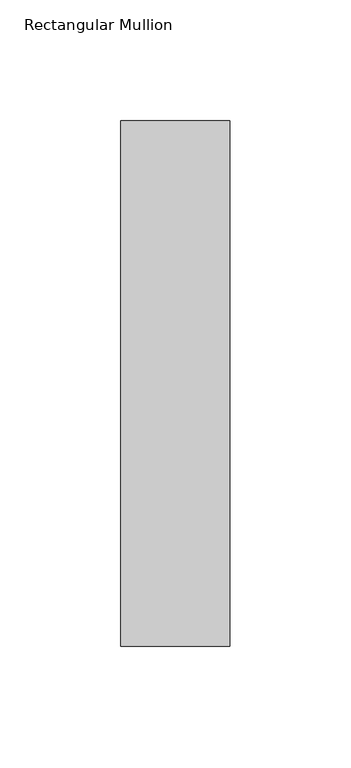
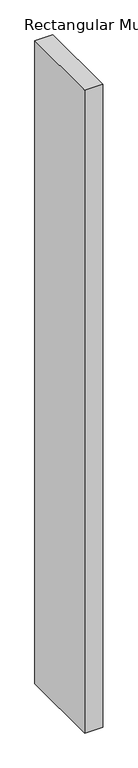
"""IFC4 building model written with IfcOpenShell, lengths in millimetres: member geometry, Rectangular Mullion."""

from ifc_helpers import new_model, si_unit, frame, origin, place, context, project, spatial, polyline, outline, extrude, source, transform, mapped, element, save


def rectangular_mullion_80fc452c(model_context):
    return source(origin(), model_context, "Body", "SweptSolid", [
        extrude(outline(polyline([(22.5, 164.19375), (22.5, -53.19375), (-22.5, -53.19375), (-22.5, 164.19375), (22.5, 164.19375)])), frame((0.0, 0.0, -1708.8912252), z_axis=(0.0, 0.0, 1.0), x_axis=(1.0, 0.0, 0.0)), (0.0, 0.0, 1.0), 1708.8912252),
    ])


if __name__ == "__main__":
    model = new_model("IFC4")
    model_context = context("Model", 3, world=origin())
    ifc_project = project(units=[si_unit("LENGTHUNIT", "METRE", prefix="MILLI")], contexts=[model_context])
    site = spatial("IfcSite", under=ifc_project)
    building = spatial("IfcBuilding", under=site)
    placement = place(None, origin())
    rectangular_mullion_shape = rectangular_mullion_80fc452c(model_context)
    element("IfcMember", 1, ObjectType="Rectangular Mullion", at=placement, inside=building, context=model_context, shape_type="MappedRepresentation", body=[
        mapped(rectangular_mullion_shape, transform((0.0, 0.0, 0.0), x_axis=(1.0, 0.0, 0.0), y_axis=(0.0, 1.0, 0.0), z_axis=(0.0, 0.0, 1.0))),
    ])
    save(model, "model.ifc")
